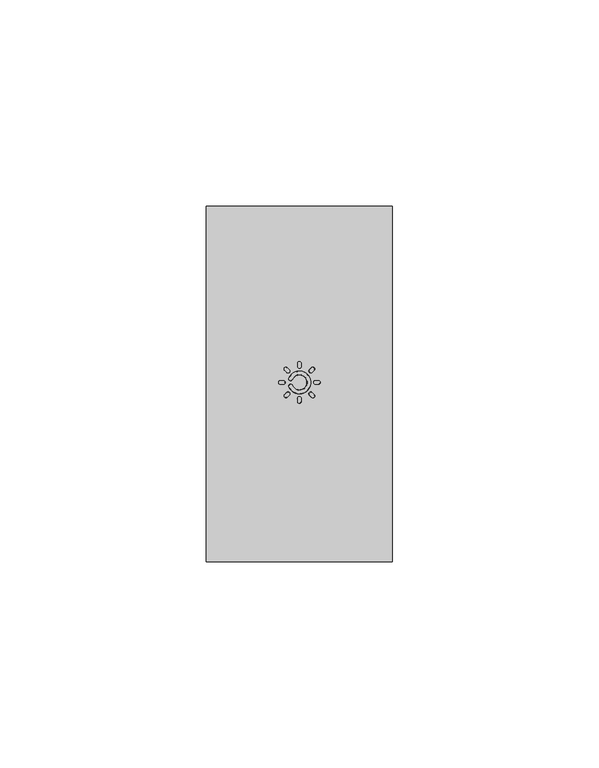
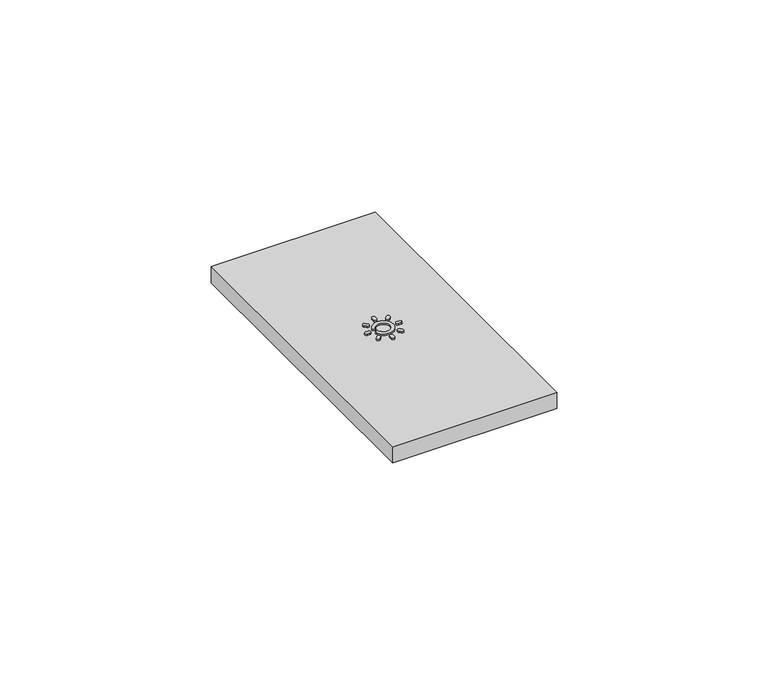
"""IFC4 building model written with IfcOpenShell, lengths in millimetres: proxy geometry."""

from ifc_helpers import new_model, si_unit, frame, origin, place, context, project, spatial, polyline, circle_curve, outline, extrude, source, transform, mapped, element, save
from ifc_brep_helpers import plane_surface, revolved_surface, advanced_brep


def electrical_fixtures_034e7bb2(model_context):
    return source(origin(), model_context, "Body", "SolidModel", [
        advanced_brep(
        [(17.9098359, 43.8107748, 10.6074072), (17.9098359, 42.94208, 10.6074072), (18.6098405, 42.94208, 10.6074072), (18.6098359, 43.8107748, 10.6074072), (18.6098359, 43.8464183, 10.2), (18.6098405, 42.9064365, 10.2), (17.9098359, 42.9064365, 10.2), (17.9098359, 43.8464183, 10.2)],
        [
            (0, 1, circle_curve(frame((17.9098359, 43.3764274, 10.6074072), z_axis=(0.0, 0.0, 1.0), x_axis=(0.0, 1.0000000000000002, 0.0)), 0.4343474)),
            (1, 2),
            (2, 3, circle_curve(frame((18.6098359, 43.3764274, 10.6074072), z_axis=(0.0, 0.0, 1.0), x_axis=(1.1578075136041428e-05, -0.9999999999329744, 0.0)), 0.4343474)),
            (3, 0),
            (4, 5, circle_curve(frame((18.6098359, 43.3764274, 10.2), z_axis=(0.0, 0.0, -1.0), x_axis=(1.1578075136041428e-05, -0.9999999999329744, 0.0)), 0.4699909)),
            (5, 6),
            (6, 7, circle_curve(frame((17.9098359, 43.3764274, 10.2), z_axis=(0.0, 0.0, -1.0), x_axis=(0.0, 1.0000000000000002, 0.0)), 0.4699909)),
            (7, 4),
            (7, 0),
            (3, 4),
            (6, 1),
            (5, 2),
        ],
        [
            plane_surface(frame((22.5098359, 43.3764274, 10.6074072), z_axis=(0.0, 0.0, 1.0), x_axis=(1.0, 0.0, 0.0))),
            plane_surface(frame((22.5098359, 43.3764274, 10.2), z_axis=(0.0, 0.0, -1.0), x_axis=(1.0, 0.0, 0.0))),
            plane_surface(frame((22.5098359, 43.7764274, 11.0), z_axis=(0.0, 0.9961946980917439, 0.0871557427476776), x_axis=(-1.0, 0.0, 0.0))),
            revolved_surface(polyline([(17.9098359, 43.81077479075854, 10.6074072), (17.9098359, 43.8464183, 10.2)]), (17.9098359, 43.3764274, 15.5720209), (0.0, 0.0, -1.0)),
            plane_surface(frame((22.5098359, 42.9764274, 11.0), z_axis=(0.0, -0.9961946980917439, 0.0871557427476776), x_axis=(-1.0, 0.0, 0.0))),
            revolved_surface(polyline([(18.609840151141878, 42.94208000924146, 10.6074072), (18.6098405, 42.9064365, 10.2)]), (18.6098359, 43.3764274, 15.5720209), (0.0, 0.0, -1.0)),
        ],
        [
            (0, [[1, 2, 3, 4]]),
            (1, [[5, 6, 7, 8]]),
            (2, [[-8, 9, -4, 10]]),
            (3, [[-7, 11, -1, -9]]),
            (4, [[12, -2, -11, -6]]),
            (5, [[-5, -10, -3, -12]]),
        ],
    ),
        advanced_brep(
        [(18.9500147, 40.4308662, 10.6074072), (19.5642747, 39.8166062, 10.6074072), (20.0592527, 40.3115842, 10.6074072), (19.4449895, 40.925841, 10.6074072), (19.5894785, 39.7914024, 10.2), (18.924811, 40.45607, 10.2), (19.4197857, 40.9510447, 10.2), (20.0844565, 40.2863804, 10.2)],
        [
            (0, 1, circle_curve(frame((19.2571447, 40.1237362, 10.6074072), z_axis=(0.0, 0.0, 1.0), x_axis=(-0.7071067811865489, 0.7071067811865462, 0.0)), 0.4343474)),
            (1, 2),
            (2, 3, circle_curve(frame((19.7521195, 40.618711, 10.6074072), z_axis=(0.0, 0.0, 1.0), x_axis=(0.7071149680746551, -0.7070985942036513, 0.0)), 0.4343474)),
            (3, 0),
            (4, 5, circle_curve(frame((19.2571447, 40.1237362, 10.2), z_axis=(0.0, 0.0, -1.0), x_axis=(-0.7071067811865489, 0.7071067811865462, 0.0)), 0.4699909)),
            (5, 6),
            (6, 7, circle_curve(frame((19.7521195, 40.618711, 10.2), z_axis=(0.0, 0.0, -1.0), x_axis=(0.7071149680746551, -0.7070985942036513, 0.0)), 0.4699909)),
            (7, 4),
            (5, 0),
            (3, 6),
            (4, 1),
            (7, 2),
        ],
        [
            plane_surface(frame((22.5098359, 43.3764274, 10.6074072), z_axis=(0.0, 0.0, 1.0), x_axis=(1.0, 0.0, 0.0))),
            plane_surface(frame((22.5098359, 43.3764274, 10.2), z_axis=(0.0, 0.0, -1.0), x_axis=(1.0, 0.0, 0.0))),
            plane_surface(frame((22.2269932, 43.6592701, 11.0), z_axis=(-0.7044160264027598, 0.7044160264027562, 0.08715574274767007), x_axis=(0.7071067811865458, 0.7071067811865493, 0.0))),
            revolved_surface(polyline([(18.950014763109454, 40.43086622930667, 10.6074072), (18.924811, 40.45607, 10.2)]), (19.2571447, 40.1237362, 15.5720209), (0.0, 0.0, -1.0)),
            plane_surface(frame((22.7926786, 43.0935847, 11.0), z_axis=(0.7044160264027598, -0.7044160264027562, 0.08715574274767007), x_axis=(-0.7071067811865458, -0.7071067811865493, 0.0))),
            revolved_surface(polyline([(20.059252486622764, 40.31158392800941, 10.6074072), (20.0844565, 40.2863804, 10.2)]), (19.7521195, 40.618711, 15.5720209), (0.0, 0.0, -1.0)),
        ],
        [
            (0, [[1, 2, 3, 4]]),
            (1, [[5, 6, 7, 8]]),
            (2, [[9, -4, 10, -6]]),
            (3, [[-5, 11, -1, -9]]),
            (4, [[12, -2, -11, -8]]),
            (5, [[-7, -10, -3, -12]]),
        ],
    ),
        advanced_brep(
        [(22.0754885, 38.7764274, 10.6074072), (22.9441834, 38.7764274, 10.6074072), (22.9441834, 39.4764324, 10.6074072), (22.0754885, 39.4764274, 10.6074072), (22.039845, 39.4764274, 10.2), (22.9798269, 39.4764328, 10.2), (22.9798269, 38.7764274, 10.2), (22.039845, 38.7764274, 10.2)],
        [
            (0, 1, circle_curve(frame((22.5098359, 38.7764274, 10.6074072), z_axis=(0.0, 0.0, 1.0), x_axis=(-1.0000000000000002, 0.0, 0.0)), 0.4343474)),
            (1, 2),
            (2, 3, circle_curve(frame((22.5098359, 39.4764274, 10.6074072), z_axis=(0.0, 0.0, 1.0), x_axis=(0.9999999999329744, 1.1578075136041428e-05, 0.0)), 0.4343474)),
            (3, 0),
            (4, 5, circle_curve(frame((22.5098359, 39.4764274, 10.2), z_axis=(0.0, 0.0, -1.0), x_axis=(0.9999999999329744, 1.1578075136041428e-05, 0.0)), 0.4699909)),
            (5, 6),
            (6, 7, circle_curve(frame((22.5098359, 38.7764274, 10.2), z_axis=(0.0, 0.0, -1.0), x_axis=(-1.0000000000000002, 0.0, 0.0)), 0.4699909)),
            (7, 4),
            (4, 3),
            (2, 5),
            (7, 0),
            (6, 1),
        ],
        [
            plane_surface(frame((22.5098359, 43.3764274, 10.6074072), z_axis=(0.0, 0.0, 1.0), x_axis=(1.0, 0.0, 0.0))),
            plane_surface(frame((22.5098359, 43.3764274, 10.2), z_axis=(0.0, 0.0, -1.0), x_axis=(1.0, 0.0, 0.0))),
            revolved_surface(polyline([(22.944183383174664, 39.4764323904709, 10.6074072), (22.9798269, 39.4764328, 10.2)]), (22.5098359, 39.4764274, 15.5720209), (0.0, 0.0, -1.0)),
            plane_surface(frame((22.1098359, 43.3764274, 11.0), z_axis=(-0.9961946980917439, 0.0, 0.0871557427476776), x_axis=(0.0, -1.0, 0.0))),
            revolved_surface(polyline([(22.075488509241463, 38.7764274, 10.6074072), (22.039845, 38.7764274, 10.2)]), (22.5098359, 38.7764274, 15.5720209), (0.0, 0.0, -1.0)),
            plane_surface(frame((22.9098359, 43.3764274, 11.0), z_axis=(0.9961946980917439, 0.0, 0.0871557427476776), x_axis=(0.0, -1.0, 0.0))),
        ],
        [
            (0, [[1, 2, 3, 4]]),
            (1, [[5, 6, 7, 8]]),
            (2, [[-5, 9, -3, 10]]),
            (3, [[-8, 11, -4, -9]]),
            (4, [[-7, 12, -1, -11]]),
            (5, [[-10, -2, -12, -6]]),
        ],
    ),
        advanced_brep(
        [(25.4553971, 39.8166062, 10.6074072), (26.0696571, 40.4308662, 10.6074072), (25.5746791, 40.9258442, 10.6074072), (24.9604224, 40.3115809, 10.6074072), (26.0948609, 40.45607, 10.2), (25.4301934, 39.7914024, 10.2), (24.9352186, 40.2863772, 10.2), (25.5998829, 40.951048, 10.2)],
        [
            (0, 1, circle_curve(frame((25.7625271, 40.1237362, 10.6074072), z_axis=(0.0, 0.0, 1.0), x_axis=(-0.7071067811865462, -0.7071067811865489, 0.0)), 0.4343474)),
            (1, 2),
            (2, 3, circle_curve(frame((25.2675524, 40.618711, 10.6074072), z_axis=(0.0, 0.0, 1.0), x_axis=(0.707098594203652, 0.7071149680746545, 0.0)), 0.4343474)),
            (3, 0),
            (4, 5, circle_curve(frame((25.7625271, 40.1237362, 10.2), z_axis=(0.0, 0.0, -1.0), x_axis=(-0.7071067811865462, -0.7071067811865489, 0.0)), 0.4699909)),
            (5, 6),
            (6, 7, circle_curve(frame((25.2675524, 40.618711, 10.2), z_axis=(0.0, 0.0, -1.0), x_axis=(0.707098594203652, 0.7071149680746545, 0.0)), 0.4699909)),
            (7, 4),
            (7, 2),
            (1, 4),
            (6, 3),
            (5, 0),
        ],
        [
            plane_surface(frame((22.5098359, 43.3764274, 10.6074072), z_axis=(0.0, 0.0, 1.0), x_axis=(1.0, 0.0, 0.0))),
            plane_surface(frame((22.5098359, 43.3764274, 10.2), z_axis=(0.0, 0.0, -1.0), x_axis=(1.0, 0.0, 0.0))),
            plane_surface(frame((22.7926786, 43.6592701, 11.0), z_axis=(0.7044160264027562, 0.7044160264027598, 0.08715574274767007), x_axis=(0.7071067811865493, -0.7071067811865458, 0.0))),
            revolved_surface(polyline([(25.574679379574455, 40.92584398662276, 10.6074072), (25.5998829, 40.951048, 10.2)]), (25.2675524, 40.618711, 15.5720209), (0.0, 0.0, -1.0)),
            plane_surface(frame((22.2269932, 43.0935847, 11.0), z_axis=(-0.7044160264027562, -0.7044160264027598, 0.08715574274767007), x_axis=(-0.7071067811865493, 0.7071067811865458, 0.0))),
            revolved_surface(polyline([(25.455397163109456, 39.816606170693326, 10.6074072), (25.4301934, 39.7914024, 10.2)]), (25.7625271, 40.1237362, 15.5720209), (0.0, 0.0, -1.0)),
        ],
        [
            (0, [[1, 2, 3, 4]]),
            (1, [[5, 6, 7, 8]]),
            (2, [[9, -2, 10, -8]]),
            (3, [[-7, 11, -3, -9]]),
            (4, [[12, -4, -11, -6]]),
            (5, [[-5, -10, -1, -12]]),
        ],
    ),
        advanced_brep(
        [(27.1098359, 42.94208, 10.6074072), (27.1098359, 43.8107748, 10.6074072), (26.4098313, 43.8107748, 10.6074072), (26.4098359, 42.94208, 10.6074072), (26.4098359, 42.9064365, 10.2), (26.4098313, 43.8464183, 10.2), (27.1098359, 43.8464183, 10.2), (27.1098359, 42.9064365, 10.2)],
        [
            (0, 1, circle_curve(frame((27.1098359, 43.3764274, 10.6074072), z_axis=(0.0, 0.0, 1.0), x_axis=(0.0, -1.0000000000000002, 0.0)), 0.4343474)),
            (1, 2),
            (2, 3, circle_curve(frame((26.4098359, 43.3764274, 10.6074072), z_axis=(0.0, 0.0, 1.0), x_axis=(-1.1578075137363286e-05, 0.9999999999329744, 0.0)), 0.4343474)),
            (3, 0),
            (4, 5, circle_curve(frame((26.4098359, 43.3764274, 10.2), z_axis=(0.0, 0.0, -1.0), x_axis=(-1.1578075137363286e-05, 0.9999999999329744, 0.0)), 0.4699909)),
            (5, 6),
            (6, 7, circle_curve(frame((27.1098359, 43.3764274, 10.2), z_axis=(0.0, 0.0, -1.0), x_axis=(0.0, -1.0000000000000002, 0.0)), 0.4699909)),
            (7, 4),
            (5, 2),
            (1, 6),
            (4, 3),
            (7, 0),
        ],
        [
            plane_surface(frame((22.5098359, 43.3764274, 10.6074072), z_axis=(0.0, 0.0, 1.0), x_axis=(1.0, 0.0, 0.0))),
            plane_surface(frame((22.5098359, 43.3764274, 10.2), z_axis=(0.0, 0.0, -1.0), x_axis=(1.0, 0.0, 0.0))),
            plane_surface(frame((22.5098359, 43.7764274, 11.0), z_axis=(0.0, 0.9961946980917439, 0.0871557427476776), x_axis=(1.0, 0.0, 0.0))),
            revolved_surface(polyline([(26.409831648858123, 43.81077479075854, 10.6074072), (26.4098313, 43.8464183, 10.2)]), (26.4098359, 43.3764274, 15.5720209), (0.0, 0.0, -1.0)),
            plane_surface(frame((22.5098359, 42.9764274, 11.0), z_axis=(0.0, -0.9961946980917439, 0.0871557427476776), x_axis=(1.0, 0.0, 0.0))),
            revolved_surface(polyline([(27.1098359, 42.94208000924146, 10.6074072), (27.1098359, 42.9064365, 10.2)]), (27.1098359, 43.3764274, 15.5720209), (0.0, 0.0, -1.0)),
        ],
        [
            (0, [[1, 2, 3, 4]]),
            (1, [[5, 6, 7, 8]]),
            (2, [[9, -2, 10, -6]]),
            (3, [[-5, 11, -3, -9]]),
            (4, [[-8, 12, -4, -11]]),
            (5, [[-7, -10, -1, -12]]),
        ],
    ),
        advanced_brep(
        [(26.0696571, 46.3219886, 10.6074072), (25.4553971, 46.9362486, 10.6074072), (24.9604191, 46.4412706, 10.6074072), (25.5746824, 45.8270138, 10.6074072), (25.5998862, 45.8018101, 10.2), (24.9352153, 46.4664744, 10.2), (25.4301934, 46.9614524, 10.2), (26.0948609, 46.2967848, 10.2)],
        [
            (0, 1, circle_curve(frame((25.7625271, 46.6291186, 10.6074072), z_axis=(0.0, 0.0, 1.0), x_axis=(0.7071067811865489, -0.7071067811865462, 0.0)), 0.4343474)),
            (1, 2),
            (2, 3, circle_curve(frame((25.2675524, 46.1341439, 10.6074072), z_axis=(0.0, 0.0, 1.0), x_axis=(-0.7071149680746551, 0.7070985942036513, 0.0)), 0.4343474)),
            (3, 0),
            (4, 5, circle_curve(frame((25.2675524, 46.1341439, 10.2), z_axis=(0.0, 0.0, -1.0), x_axis=(-0.7071149680746551, 0.7070985942036513, 0.0)), 0.4699909)),
            (5, 6),
            (6, 7, circle_curve(frame((25.7625271, 46.6291186, 10.2), z_axis=(0.0, 0.0, -1.0), x_axis=(0.7071067811865489, -0.7071067811865462, 0.0)), 0.4699909)),
            (7, 4),
            (6, 1),
            (0, 7),
            (5, 2),
            (4, 3),
        ],
        [
            plane_surface(frame((22.5098359, 43.3764274, 10.6074072), z_axis=(0.0, 0.0, 1.0), x_axis=(1.0, 0.0, 0.0))),
            plane_surface(frame((22.5098359, 43.3764274, 10.2), z_axis=(0.0, 0.0, -1.0), x_axis=(1.0, 0.0, 0.0))),
            revolved_surface(polyline([(26.069657129306673, 46.32198857069332, 10.6074072), (26.0948609, 46.2967848, 10.2)]), (25.7625271, 46.6291186, 15.5720209), (0.0, 0.0, -1.0)),
            plane_surface(frame((22.2269932, 43.6592701, 11.0), z_axis=(-0.7044160264027598, 0.7044160264027562, 0.08715574274767007), x_axis=(0.7071067811865458, 0.7071067811865493, 0.0))),
            revolved_surface(polyline([(24.96041932096111, 46.44127087957446, 10.6074072), (24.9352153, 46.4664744, 10.2)]), (25.2675524, 46.1341439, 15.5720209), (0.0, 0.0, -1.0)),
            plane_surface(frame((22.7926786, 43.0935847, 11.0), z_axis=(0.7044160264027598, -0.7044160264027562, 0.08715574274767007), x_axis=(-0.7071067811865458, -0.7071067811865493, 0.0))),
        ],
        [
            (0, [[1, 2, 3, 4]]),
            (1, [[5, 6, 7, 8]]),
            (2, [[-7, 9, -1, 10]]),
            (3, [[11, -2, -9, -6]]),
            (4, [[-5, 12, -3, -11]]),
            (5, [[-10, -4, -12, -8]]),
        ],
    ),
        advanced_brep(
        [(22.9441834, 47.9764274, 10.6074072), (22.0754885, 47.9764274, 10.6074072), (22.0754885, 47.2764228, 10.6074072), (22.9441834, 47.2764274, 10.6074072), (22.9798269, 47.2764274, 10.2), (22.039845, 47.2764228, 10.2), (22.039845, 47.9764274, 10.2), (22.9798269, 47.9764274, 10.2)],
        [
            (0, 1, circle_curve(frame((22.5098359, 47.9764274, 10.6074072), z_axis=(0.0, 0.0, 1.0), x_axis=(1.0000000000000002, 0.0, 0.0)), 0.4343474)),
            (1, 2),
            (2, 3, circle_curve(frame((22.5098359, 47.2764274, 10.6074072), z_axis=(0.0, 0.0, 1.0), x_axis=(-0.9999999999329744, -1.1578075136041428e-05, 0.0)), 0.4343474)),
            (3, 0),
            (4, 5, circle_curve(frame((22.5098359, 47.2764274, 10.2), z_axis=(0.0, 0.0, -1.0), x_axis=(-0.9999999999329744, -1.1578075136041428e-05, 0.0)), 0.4699909)),
            (5, 6),
            (6, 7, circle_curve(frame((22.5098359, 47.9764274, 10.2), z_axis=(0.0, 0.0, -1.0), x_axis=(1.0000000000000002, 0.0, 0.0)), 0.4699909)),
            (7, 4),
            (6, 1),
            (0, 7),
            (5, 2),
            (4, 3),
        ],
        [
            plane_surface(frame((22.5098359, 43.3764274, 10.6074072), z_axis=(0.0, 0.0, 1.0), x_axis=(1.0, 0.0, 0.0))),
            plane_surface(frame((22.5098359, 43.3764274, 10.2), z_axis=(0.0, 0.0, -1.0), x_axis=(1.0, 0.0, 0.0))),
            revolved_surface(polyline([(22.944183383174664, 47.9764274, 10.6074072), (22.9798269, 47.9764274, 10.2)]), (22.5098359, 47.9764274, 15.5720209), (0.0, 0.0, -1.0)),
            plane_surface(frame((22.1098359, 43.3764274, 11.0), z_axis=(-0.9961946980917439, 0.0, 0.0871557427476776), x_axis=(0.0, 1.0, 0.0))),
            revolved_surface(polyline([(22.075488509241463, 47.27642314885812, 10.6074072), (22.039845, 47.2764228, 10.2)]), (22.5098359, 47.2764274, 15.5720209), (0.0, 0.0, -1.0)),
            plane_surface(frame((22.9098359, 43.3764274, 11.0), z_axis=(0.9961946980917439, 0.0, 0.0871557427476776), x_axis=(0.0, 1.0, 0.0))),
        ],
        [
            (0, [[1, 2, 3, 4]]),
            (1, [[5, 6, 7, 8]]),
            (2, [[-7, 9, -1, 10]]),
            (3, [[11, -2, -9, -6]]),
            (4, [[-5, 12, -3, -11]]),
            (5, [[-8, -10, -4, -12]]),
        ],
    ),
        advanced_brep(
        [(19.5642747, 46.9362486, 10.6074072), (18.9500147, 46.3219886, 10.6074072), (19.4449927, 45.8270106, 10.6074072), (20.0592495, 46.4412739, 10.6074072), (18.924811, 46.2967848, 10.2), (19.5894785, 46.9614524, 10.2), (20.0844533, 46.4664776, 10.2), (19.419789, 45.8018068, 10.2)],
        [
            (0, 1, circle_curve(frame((19.2571447, 46.6291186, 10.6074072), z_axis=(0.0, 0.0, 1.0), x_axis=(0.7071067811865462, 0.7071067811865489, 0.0)), 0.4343474)),
            (1, 2),
            (2, 3, circle_curve(frame((19.7521195, 46.1341439, 10.6074072), z_axis=(0.0, 0.0, 1.0), x_axis=(-0.707098594203652, -0.7071149680746545, 0.0)), 0.4343474)),
            (3, 0),
            (4, 5, circle_curve(frame((19.2571447, 46.6291186, 10.2), z_axis=(0.0, 0.0, -1.0), x_axis=(0.7071067811865462, 0.7071067811865489, 0.0)), 0.4699909)),
            (5, 6),
            (6, 7, circle_curve(frame((19.7521195, 46.1341439, 10.2), z_axis=(0.0, 0.0, -1.0), x_axis=(-0.707098594203652, -0.7071149680746545, 0.0)), 0.4699909)),
            (7, 4),
            (5, 0),
            (3, 6),
            (4, 1),
            (7, 2),
        ],
        [
            plane_surface(frame((22.5098359, 43.3764274, 10.6074072), z_axis=(0.0, 0.0, 1.0), x_axis=(1.0, 0.0, 0.0))),
            plane_surface(frame((22.5098359, 43.3764274, 10.2), z_axis=(0.0, 0.0, -1.0), x_axis=(1.0, 0.0, 0.0))),
            plane_surface(frame((22.7926786, 43.6592701, 11.0), z_axis=(0.7044160264027562, 0.7044160264027598, 0.08715574274767007), x_axis=(0.7071067811865493, -0.7071067811865458, 0.0))),
            revolved_surface(polyline([(19.56427472930667, 46.936248629306675, 10.6074072), (19.5894785, 46.9614524, 10.2)]), (19.2571447, 46.6291186, 15.5720209), (0.0, 0.0, -1.0)),
            plane_surface(frame((22.2269932, 43.0935847, 11.0), z_axis=(-0.7044160264027562, -0.7044160264027598, 0.08715574274767007), x_axis=(-0.7071067811865493, 0.7071067811865458, 0.0))),
            revolved_surface(polyline([(19.444992520425547, 45.827010820961114, 10.6074072), (19.419789, 45.8018068, 10.2)]), (19.7521195, 46.1341439, 15.5720209), (0.0, 0.0, -1.0)),
        ],
        [
            (0, [[1, 2, 3, 4]]),
            (1, [[5, 6, 7, 8]]),
            (2, [[9, -4, 10, -6]]),
            (3, [[-5, 11, -1, -9]]),
            (4, [[12, -2, -11, -8]]),
            (5, [[-7, -10, -3, -12]]),
        ],
    ),
        advanced_brep(
        [(19.9839098, 42.3293587, 10.6074072), (19.9839098, 44.4234961, 10.6074072), (20.7863898, 44.0908454, 10.6074072), (20.7863898, 42.6620095, 10.6074072), (19.9509831, 42.3157097, 10.2), (20.8193165, 42.6756585, 10.2), (20.8193165, 44.0771964, 10.2), (19.9509831, 44.4371451, 10.2)],
        [
            (0, 1, circle_curve(frame((22.5098359, 43.3764274, 10.6074072), z_axis=(0.0, 0.0, 1.0), x_axis=(-0.923776595358987, -0.38293185015999737, 0.0)), 2.7343474)),
            (1, 2, circle_curve(frame((20.3851498, 44.2571708, 10.6074072), z_axis=(0.0, 0.0, 1.0), x_axis=(-0.9237767842218566, 0.3829313945509376, 0.0)), 0.4343474)),
            (2, 3, circle_curve(frame((22.5098359, 43.3764274, 10.6074072), z_axis=(0.0, 0.0, -1.0), x_axis=(-0.9237765614277774, -0.3829319320149103, 0.0)), 1.8656526)),
            (3, 0, circle_curve(frame((20.3851498, 42.495684, 10.6074072), z_axis=(0.0, 0.0, 1.0), x_axis=(0.9237766294580904, 0.38293176790004013, 0.0)), 0.4343474)),
            (4, 5, circle_curve(frame((20.3851498, 42.495684, 10.2), z_axis=(0.0, 0.0, -1.0), x_axis=(0.9237766294580904, 0.38293176790004013, 0.0)), 0.4699909)),
            (5, 6, circle_curve(frame((22.5098359, 43.3764274, 10.2), z_axis=(0.0, 0.0, 1.0), x_axis=(-0.9237765614277774, -0.3829319320149103, 0.0)), 1.8300091)),
            (6, 7, circle_curve(frame((20.3851498, 44.2571708, 10.2), z_axis=(0.0, 0.0, -1.0), x_axis=(-0.9237767842218566, 0.3829313945509376, 0.0)), 0.4699909)),
            (7, 4, circle_curve(frame((22.5098359, 43.3764274, 10.2), z_axis=(0.0, 0.0, -1.0), x_axis=(-0.923776595358987, -0.38293185015999737, 0.0)), 2.7699909)),
            (4, 0),
            (3, 5),
            (7, 1),
            (6, 2),
        ],
        [
            plane_surface(frame((22.5098359, 43.3764274, 10.6074072), z_axis=(0.0, 0.0, 1.0), x_axis=(1.0, 0.0, 0.0))),
            plane_surface(frame((22.5098359, 43.3764274, 10.2), z_axis=(0.0, 0.0, -1.0), x_axis=(1.0, 0.0, 0.0))),
            revolved_surface(polyline([(20.78638985230579, 42.66200946391445, 10.6074072), (20.8193165, 42.6756585, 10.2)]), (20.3851498, 42.495684, 15.5720209), (0.0, 0.0, -1.0)),
            revolved_surface(polyline([(19.98390974177437, 42.32935873511903, 10.6074072), (19.9509831, 42.3157097, 10.2)]), (22.5098359, 43.3764274, 41.8611412), (0.0, 0.0, -1.0)),
            revolved_surface(polyline([(19.98390974769421, 44.4234960790822, 10.6074072), (19.9509831, 44.4371451, 10.2)]), (20.3851498, 44.2571708, 15.5720209), (0.0, 0.0, -1.0)),
            revolved_surface(polyline([(20.7863898, 42.6620095, 10.607407199999999), (20.81931643990415, 42.67565853778214, 10.199999999999998)]), (22.5098359, 43.3764274, -10.7170994), (0.0, 0.0, 1.0)),
        ],
        [
            (0, [[1, 2, 3, 4]]),
            (1, [[5, 6, 7, 8]]),
            (2, [[-5, 9, -4, 10]]),
            (3, [[-8, 11, -1, -9]]),
            (4, [[-7, 12, -2, -11]]),
            (5, [[-6, -10, -3, -12]]),
        ],
    ),
        extrude(outline(polyline([(0.0, 0.0), (0.0, 86.0), (45.0, 86.0), (45.0, 0.0), (0.0, 0.0)])), frame((0.0, 0.0, 5.5), z_axis=(0.0, 0.0, 1.0), x_axis=(1.0, 0.0, 0.0)), (0.0, 0.0, 1.0), 4.7),
    ])


if __name__ == "__main__":
    model = new_model("IFC4")
    model_context = context("Model", 3, world=origin())
    ifc_project = project(units=[si_unit("LENGTHUNIT", "METRE", prefix="MILLI")], contexts=[model_context])
    site = spatial("IfcSite", under=ifc_project)
    building = spatial("IfcBuilding", under=site)
    placement = place(None, origin())
    electrical_fixtures_shape = electrical_fixtures_034e7bb2(model_context)
    element("IfcBuildingElementProxy", 1, Name="Electrical Fixtures", at=placement, inside=building, context=model_context, shape_type="MappedRepresentation", body=[
        mapped(electrical_fixtures_shape, transform((0.0, 0.0, 0.0), x_axis=(1.0, 0.0, 0.0), y_axis=(0.0, 1.0, 0.0), z_axis=(0.0, 0.0, 1.0))),
    ])
    save(model, "model.ifc")
